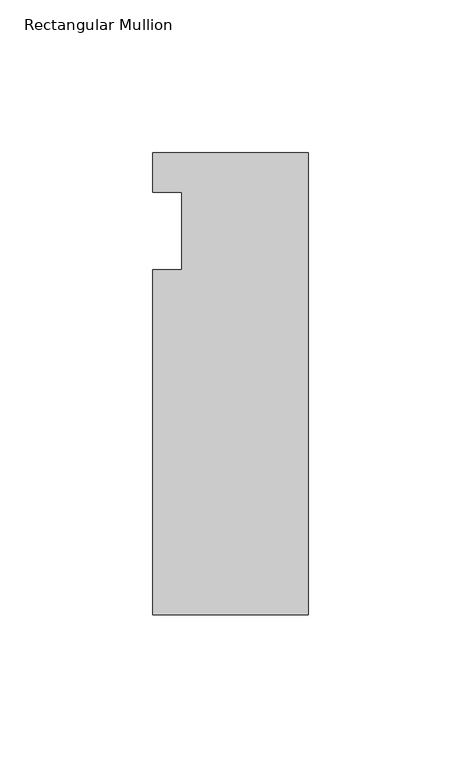
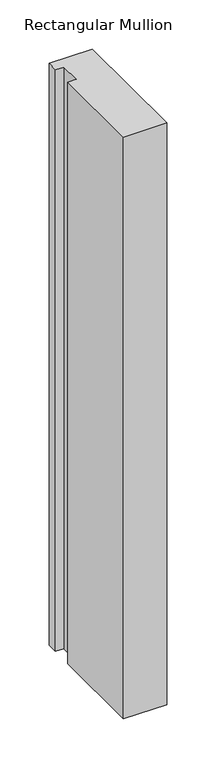
"""IFC4 building model written with IfcOpenShell, lengths in millimetres: member geometry, Rectangular Mullion."""

from ifc_helpers import new_model, si_unit, frame, origin, place, context, project, spatial, polyline, outline, extrude, source, transform, mapped, element, save


def rectangular_mullion_3689bd66(model_context):
    return source(origin(), model_context, "Body", "SweptSolid", [
        extrude(outline(polyline([(-50.8, 25.5984375), (0.0, 25.5984375), (0.0, -125.6109375), (-50.8, -125.6109375), (-50.8, -12.7), (-41.275, -12.7), (-41.275, 12.7), (-50.8, 12.7), (-50.8, 25.5984375)])), frame((0.0, 0.0, -722.3178263), z_axis=(0.0, 0.0, 1.0), x_axis=(1.0, 0.0, 0.0)), (0.0, 0.0, 1.0), 722.3178263),
    ])


if __name__ == "__main__":
    model = new_model("IFC4")
    model_context = context("Model", 3, world=origin())
    ifc_project = project(units=[si_unit("LENGTHUNIT", "METRE", prefix="MILLI")], contexts=[model_context])
    site = spatial("IfcSite", under=ifc_project)
    building = spatial("IfcBuilding", under=site)
    placement = place(None, origin())
    rectangular_mullion_shape = rectangular_mullion_3689bd66(model_context)
    element("IfcMember", 1, ObjectType="Rectangular Mullion", at=placement, inside=building, context=model_context, shape_type="MappedRepresentation", body=[
        mapped(rectangular_mullion_shape, transform((0.0, 0.0, 0.0), x_axis=(1.0, 0.0, 0.0), y_axis=(0.0, 1.0, 0.0), z_axis=(0.0, 0.0, 1.0))),
    ])
    save(model, "model.ifc")
